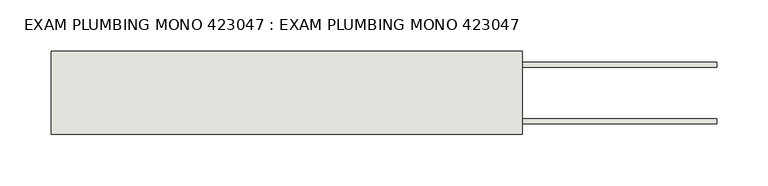
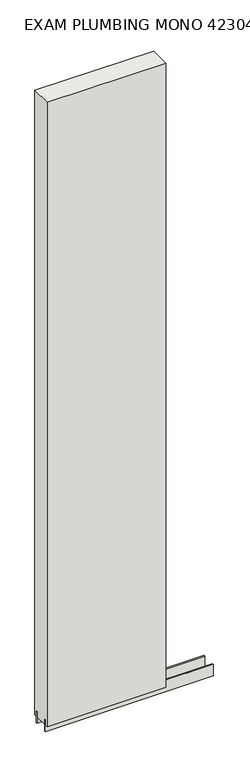
"""IFC4 building model written with IfcOpenShell, lengths in millimetres: wall geometry, EXAM PLUMBING MONO 423047 : EXAM PLUMBING MONO 423047."""

from ifc_helpers import new_model, si_unit, frame, origin, place, context, project, spatial, polyline, outline, extrude, source, transform, mapped, element, save


def exam_plumbing_mono_423047_exam_plumbing_mono_423047_5aaa7107(model_context):
    return source(origin(), model_context, "Body", "SweptSolid", [
        extrude(outline(polyline([(74392.768918, -43072.0636398), (74395.308918, -43072.0636398), (74395.308918, -43074.6036398), (74392.768918, -43074.6036398), (74392.768918, -43072.0636398)])), frame((0.0, 0.0, 4419.6), z_axis=(0.0, 0.0, 1.0), x_axis=(1.0, 0.0, 0.0)), (0.0, 0.0, 1.0), 2.54),
        extrude(outline(polyline([(73934.3956666, -43098.4142856), (74585.803965, -43098.4142856), (74585.803965, -43103.4961398), (73934.3956666, -43103.4961398), (73934.3956666, -43098.4142856)])), frame((0.0, 0.0, 4418.6602), z_axis=(0.0, 0.0, 1.0), x_axis=(1.0, 0.0, 0.0)), (0.0, 0.0, 1.0), 47.625),
        extrude(outline(polyline([(73934.3956666, -43098.4142856), (74585.803965, -43098.4142856), (74585.803965, -43103.4961398), (73934.3956666, -43103.4961398), (73934.3956666, -43098.4142856)])), frame((0.0, 0.0, 4418.6602), z_axis=(0.0, 0.0, 1.0), x_axis=(1.0, 0.0, 0.0)), (0.0, 0.0, 1.0), 47.625),
        extrude(outline(polyline([(74585.803965, -43048.2498952), (73934.3956666, -43048.2498952), (73934.3956666, -43043.1711398), (74585.803965, -43043.1711398), (74585.803965, -43048.2498952)])), frame((0.0, 0.0, 4418.6602), z_axis=(0.0, 0.0, 1.0), x_axis=(1.0, 0.0, 0.0)), (0.0, 0.0, 1.0), 47.625),
        extrude(outline(polyline([(74585.803965, -43048.2498952), (73934.3956666, -43048.2498952), (73934.3956666, -43043.1711398), (74585.803965, -43043.1711398), (74585.803965, -43048.2498952)])), frame((0.0, 0.0, 4418.6602), z_axis=(0.0, 0.0, 1.0), x_axis=(1.0, 0.0, 0.0)), (0.0, 0.0, 1.0), 47.625),
        extrude(outline(polyline([(73934.420457, -43113.9854254), (73934.420457, -43032.70667), (74395.303965, -43032.70667), (74395.303965, -43113.9854254), (73934.420457, -43113.9854254)])), frame((0.0, 0.0, 4445.0), z_axis=(0.0, 0.0, 1.0), x_axis=(1.0, 0.0, 0.0)), (0.0, 0.0, 1.0), 2562.4536762),
    ])


if __name__ == "__main__":
    model = new_model("IFC4")
    model_context = context("Model", 3, world=origin())
    ifc_project = project(units=[si_unit("LENGTHUNIT", "METRE", prefix="MILLI")], contexts=[model_context])
    site = spatial("IfcSite", under=ifc_project)
    building = spatial("IfcBuilding", under=site)
    placement = place(None, origin())
    exam_plumbing_mono_423047_exam_plumbing_mono_423047_shape = exam_plumbing_mono_423047_exam_plumbing_mono_423047_5aaa7107(model_context)
    element("IfcWall", 1, ObjectType="EXAM PLUMBING MONO 423047 : EXAM PLUMBING MONO 423047", at=placement, inside=building, context=model_context, shape_type="MappedRepresentation", body=[
        mapped(exam_plumbing_mono_423047_exam_plumbing_mono_423047_shape, transform((0.0, 0.0, 0.0), x_axis=(1.0, 0.0, 0.0), y_axis=(0.0, 1.0, 0.0), z_axis=(0.0, 0.0, 1.0))),
    ])
    save(model, "model.ifc")
